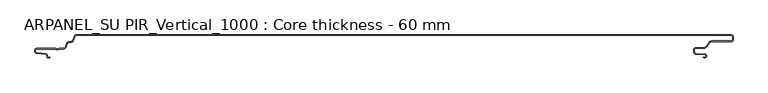
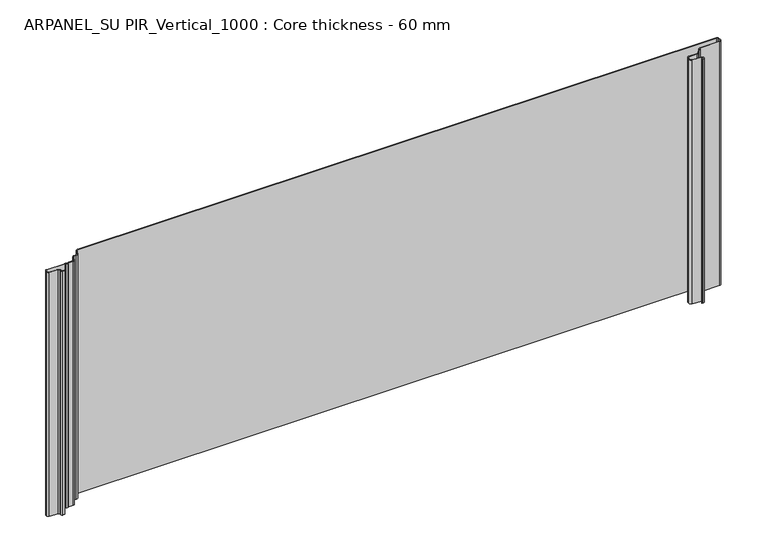
"""IFC4 building model written with IfcOpenShell, lengths in millimetres: plate geometry, ARPANEL_SU PIR_Vertical_1000 : Core thickness - 60 mm."""

from ifc_helpers import new_model, si_unit, frame, origin, place, context, project, spatial, polyline, circle_curve, source, transform, mapped, element, save
from ifc_brep_helpers import plane_surface, cylinder_surface, revolved_surface, advanced_brep


def arpanel_su_pir_vertical_1000_core_thickness_60_mm_ad7bffe7(model_context):
    return source(origin(), model_context, "Body", "AdvancedBrep", [
        advanced_brep(
        [(-437.2982256, -0.8211477, 0.0), (-439.9575557, -2.6832307, 0.0), (-442.1915349, -8.821038, 0.0), (-445.816528, -11.3209755, 0.0), (-448.7504365, -11.3209755, 0.0), (-451.4097077, -13.1828966, 0.0), (-453.7017228, -19.4789642, 0.0), (-456.3328038, -21.3211477, 0.0), (-463.3550282, -21.3211477, 0.0), (-464.4794725, -21.7461477, 0.0), (-467.5220865, -21.7461477, 0.0), (-468.6465308, -21.3211477, 0.0), (-497.37, -21.3211477, 0.0), (-499.2, -23.1511477, 0.0), (-499.2, -25.314536, 0.0), (-497.529495, -27.1375723, 0.0), (-483.7559639, -28.3426003, 0.0), (-481.2, -31.1319454, 0.0), (-481.2, -32.5211477, 0.0), (-480.0, -33.7211477, 0.0), (-477.5, -33.7211477, 0.0), (-477.5, -34.5211477, 0.0), (-480.0, -34.5211477, 0.0), (-482.0, -32.5211477, 0.0), (-482.0, -31.1319454, 0.0), (-483.8256885, -29.1395561, 0.0), (-497.5992196, -27.934528, 0.0), (-500.0, -25.314536, 0.0), (-500.0, -23.1511477, 0.0), (-497.37, -20.5211477, 0.0), (-468.6465308, -20.5211477, 0.0), (-466.9929362, -21.1461477, 0.0), (-465.0086228, -21.1461477, 0.0), (-463.3550282, -20.5211477, 0.0), (-456.3328038, -20.5211477, 0.0), (-454.4534602, -19.2053023, 0.0), (-452.1614451, -12.9092348, 0.0), (-448.7504365, -10.5209755, 0.0), (-445.81049, -10.5209755, 0.0), (-442.943289, -8.5474219, 0.0), (-440.7093098, -2.4096146, 0.0), (-437.2982256, -0.0211477, 0.0), (553.4126931, -0.0003051, 0.0), (556.0026359, -2.63, 0.0), (556.0026359, -7.37, 0.0), (553.3726359, -10.0, 0.0), (523.6221792, -10.0, 0.0), (520.345571, -11.7056943, 0.0), (515.9202842, -18.0256589, 0.0), (512.1276102, -20.0, 0.0), (500.0045679, -20.0, 0.0), (497.0045679, -23.0, 0.0), (497.0045679, -25.1843055, 0.0), (499.7431007, -28.1728896, 0.0), (513.601305, -29.3853254, 0.0), (513.8114817, -34.1991613, 0.0), (511.3494623, -34.6332818, 0.0), (511.2105437, -33.8454356, 0.0), (513.6725631, -33.4113151, 0.0), (513.5315804, -30.1822811, 0.0), (499.6733761, -28.9698453, 0.0), (496.2045679, -25.1843055, 0.0), (496.2045679, -23.0, 0.0), (500.0045679, -19.2, 0.0), (512.1276102, -19.2, 0.0), (515.2649625, -17.5667978, 0.0), (519.6902494, -11.2468331, 0.0), (523.6221792, -9.2, 0.0), (553.3726359, -9.2, 0.0), (555.2026359, -7.37, 0.0), (555.2026359, -2.63, 0.0), (553.37227, -0.8, 0.0), (-437.2982256, -0.8, 400.0), (553.37227, -0.8, 400.0), (555.2026359, -2.63, 400.0), (555.2026359, -7.37, 400.0), (553.3726359, -9.2, 400.0), (523.6221792, -9.2, 400.0), (519.6902494, -11.2468331, 400.0), (515.2649625, -17.5667978, 400.0), (512.1276102, -19.2, 400.0), (500.0045679, -19.2, 400.0), (496.2045679, -23.0, 400.0), (496.2045679, -25.1843055, 400.0), (499.6733761, -28.9698453, 400.0), (513.5315804, -30.1822811, 400.0), (513.6725631, -33.4113151, 400.0), (511.2105437, -33.8454356, 400.0), (511.3494623, -34.6332818, 400.0), (513.8114817, -34.1991613, 400.0), (513.601305, -29.3853254, 400.0), (499.7431007, -28.1728896, 400.0), (497.0045679, -25.1843055, 400.0), (497.0045679, -23.0, 400.0), (500.0045679, -20.0, 400.0), (512.1276102, -20.0, 400.0), (515.9202842, -18.0256589, 400.0), (520.345571, -11.7056943, 400.0), (523.6221792, -10.0, 400.0), (553.3726359, -10.0, 400.0), (556.0026359, -7.37, 400.0), (556.0026359, -2.63, 400.0), (553.4126931, -0.0003051, 400.0), (-437.2982256, -0.0003051, 400.0), (-440.7093098, -2.4096146, 400.0), (-442.943289, -8.5474219, 400.0), (-445.81049, -10.5209755, 400.0), (-448.7504365, -10.5209755, 400.0), (-452.1614451, -12.9092348, 400.0), (-454.4534602, -19.2053023, 400.0), (-456.3328038, -20.5211477, 400.0), (-463.3550282, -20.5211477, 400.0), (-465.0086228, -21.1461477, 400.0), (-466.9929362, -21.1461477, 400.0), (-468.6465308, -20.5211477, 400.0), (-497.37, -20.5211477, 400.0), (-500.0, -23.1511477, 400.0), (-500.0, -25.314536, 400.0), (-497.5992196, -27.934528, 400.0), (-483.8256885, -29.1395561, 400.0), (-482.0, -31.1319454, 400.0), (-482.0, -32.5211477, 400.0), (-480.0, -34.5211477, 400.0), (-477.5, -34.5211477, 400.0), (-477.5, -33.7211477, 400.0), (-480.0, -33.7211477, 400.0), (-481.2, -32.5211477, 400.0), (-481.2, -31.1319454, 400.0), (-483.7559639, -28.3426003, 400.0), (-497.529495, -27.1375723, 400.0), (-499.2, -25.314536, 400.0), (-499.2, -23.1511477, 400.0), (-497.37, -21.3211477, 400.0), (-468.6465308, -21.3211477, 400.0), (-467.5220865, -21.7461477, 400.0), (-464.4794725, -21.7461477, 400.0), (-463.3550282, -21.3211477, 400.0), (-456.3328038, -21.3211477, 400.0), (-453.7017228, -19.4789642, 400.0), (-451.4097077, -13.1828966, 400.0), (-448.7504365, -11.3209755, 400.0), (-445.816528, -11.3209755, 400.0), (-442.1915349, -8.821038, 400.0), (-439.9575557, -2.6832307, 400.0)],
        [
            (0, 1, circle_curve(frame((-437.2982256, -3.6511477, 0.0), z_axis=(0.0, 0.0, 1.0), x_axis=(1.0, 0.0, 0.0)), 2.83)),
            (1, 2),
            (2, 3, circle_curve(frame((-445.7623669, -7.5213615, 0.0), z_axis=(0.0, 0.0, -1.0), x_axis=(1.0, 0.0, 0.0)), 3.8)),
            (3, 4),
            (4, 5, circle_curve(frame((-448.7504365, -14.1509755, 0.0), z_axis=(0.0, 0.0, 1.0), x_axis=(1.0, 0.0, 0.0)), 2.83)),
            (5, 6),
            (6, 7, circle_curve(frame((-456.3328038, -18.5211477, 0.0), z_axis=(0.0, 0.0, -1.0), x_axis=(1.0, 0.0, 0.0)), 2.8)),
            (7, 8),
            (8, 9, circle_curve(frame((-463.3550282, -23.0211477, 0.0), z_axis=(0.0, 0.0, 1.0), x_axis=(1.0, 0.0, 0.0)), 1.7)),
            (9, 10, circle_curve(frame((-466.0007795, -20.0211477, 0.0), z_axis=(0.0, 0.0, -1.0), x_axis=(1.0, 0.0, 0.0)), 2.3)),
            (10, 11, circle_curve(frame((-468.6465308, -23.0211477, 0.0), z_axis=(0.0, 0.0, 1.0), x_axis=(1.0, 0.0, 0.0)), 1.7)),
            (11, 12),
            (12, 13, circle_curve(frame((-497.37, -23.1511477, 0.0), z_axis=(0.0, 0.0, 1.0), x_axis=(1.0, 0.0, 0.0)), 1.83)),
            (13, 14),
            (14, 15, circle_curve(frame((-497.37, -25.314536, 0.0), z_axis=(0.0, 0.0, 1.0), x_axis=(1.0, 0.0, 0.0)), 1.83)),
            (15, 16),
            (16, 17, circle_curve(frame((-484.0, -31.1319454, 0.0), z_axis=(0.0, 0.0, -1.0), x_axis=(1.0, 0.0, 0.0)), 2.8)),
            (17, 18),
            (18, 19, circle_curve(frame((-480.0, -32.5211477, 0.0), z_axis=(0.0, 0.0, 1.0), x_axis=(1.0, 0.0, 0.0)), 1.2)),
            (19, 20),
            (20, 21),
            (21, 22),
            (22, 23, circle_curve(frame((-480.0, -32.5211477, 0.0), z_axis=(0.0, 0.0, -1.0), x_axis=(1.0, 0.0, 0.0)), 2.0)),
            (23, 24),
            (24, 25, circle_curve(frame((-484.0, -31.1319454, 0.0), z_axis=(0.0, 0.0, 1.0), x_axis=(1.0, 0.0, 0.0)), 2.0)),
            (25, 26),
            (26, 27, circle_curve(frame((-497.37, -25.314536, 0.0), z_axis=(0.0, 0.0, -1.0), x_axis=(1.0, 0.0, 0.0)), 2.63)),
            (27, 28),
            (28, 29, circle_curve(frame((-497.37, -23.1511477, 0.0), z_axis=(0.0, 0.0, -1.0), x_axis=(1.0, 0.0, 0.0)), 2.63)),
            (29, 30),
            (30, 31, circle_curve(frame((-468.6465308, -23.0211477, 0.0), z_axis=(0.0, 0.0, -1.0), x_axis=(1.0, 0.0, 0.0)), 2.5)),
            (31, 32, circle_curve(frame((-466.0007795, -20.0211477, 0.0), z_axis=(0.0, 0.0, 1.0), x_axis=(1.0, 0.0, 0.0)), 1.5)),
            (32, 33, circle_curve(frame((-463.3550282, -23.0211477, 0.0), z_axis=(0.0, 0.0, -1.0), x_axis=(1.0, 0.0, 0.0)), 2.5)),
            (33, 34),
            (34, 35, circle_curve(frame((-456.3328038, -18.5211477, 0.0), z_axis=(0.0, 0.0, 1.0), x_axis=(1.0, 0.0, 0.0)), 2.0)),
            (35, 36),
            (36, 37, circle_curve(frame((-448.7504365, -14.1509755, 0.0), z_axis=(0.0, 0.0, -1.0), x_axis=(1.0, 0.0, 0.0)), 3.63)),
            (37, 38),
            (38, 39, circle_curve(frame((-445.7623669, -7.5213615, 0.0), z_axis=(0.0, 0.0, 1.0), x_axis=(1.0, 0.0, 0.0)), 3.0)),
            (39, 40),
            (40, 41, circle_curve(frame((-437.2982256, -3.6511477, 0.0), z_axis=(0.0, 0.0, -1.0), x_axis=(1.0, 0.0, 0.0)), 3.63)),
            (41, 42),
            (42, 43, circle_curve(frame((553.3726359, -2.63, 0.0), z_axis=(0.0, 0.0, -1.0), x_axis=(1.0, 0.0, 0.0)), 2.63)),
            (43, 44),
            (44, 45, circle_curve(frame((553.3726359, -7.37, 0.0), z_axis=(0.0, 0.0, -1.0), x_axis=(1.0, 0.0, 0.0)), 2.63)),
            (45, 46),
            (46, 47, circle_curve(frame((523.6221792, -14.0, 0.0), z_axis=(0.0, 0.0, 1.0), x_axis=(1.0, 0.0, 0.0)), 4.0)),
            (47, 48),
            (48, 49, circle_curve(frame((512.1276102, -15.37, 0.0), z_axis=(0.0, 0.0, -1.0), x_axis=(1.0, 0.0, 0.0)), 4.63)),
            (49, 50),
            (50, 51, circle_curve(frame((500.0045679, -23.0, 0.0), z_axis=(0.0, 0.0, 1.0), x_axis=(1.0, 0.0, 0.0)), 3.0)),
            (51, 52),
            (52, 53, circle_curve(frame((500.0045679, -25.1843055, 0.0), z_axis=(0.0, 0.0, 1.0), x_axis=(1.0, 0.0, 0.0)), 3.0)),
            (53, 54),
            (54, 55, circle_curve(frame((513.3895166, -31.8060785, 0.0), z_axis=(0.0, 0.0, -1.0), x_axis=(1.0, 0.0, 0.0)), 2.43)),
            (55, 56),
            (56, 57),
            (57, 58),
            (58, 59, circle_curve(frame((513.3895166, -31.8060785, 0.0), z_axis=(0.0, 0.0, 1.0), x_axis=(1.0, 0.0, 0.0)), 1.63)),
            (59, 60),
            (60, 61, circle_curve(frame((500.0045679, -25.1843055, 0.0), z_axis=(0.0, 0.0, -1.0), x_axis=(1.0, 0.0, 0.0)), 3.8)),
            (61, 62),
            (62, 63, circle_curve(frame((500.0045679, -23.0, 0.0), z_axis=(0.0, 0.0, -1.0), x_axis=(1.0, 0.0, 0.0)), 3.8)),
            (63, 64),
            (64, 65, circle_curve(frame((512.1276102, -15.37, 0.0), z_axis=(0.0, 0.0, 1.0), x_axis=(1.0, 0.0, 0.0)), 3.83)),
            (65, 66),
            (66, 67, circle_curve(frame((523.6221792, -14.0, 0.0), z_axis=(0.0, 0.0, -1.0), x_axis=(1.0, 0.0, 0.0)), 4.8)),
            (67, 68),
            (68, 69, circle_curve(frame((553.3726359, -7.37, 0.0), z_axis=(0.0, 0.0, 1.0), x_axis=(1.0, 0.0, 0.0)), 1.83)),
            (69, 70),
            (70, 71, circle_curve(frame((553.3726359, -2.63, 0.0), z_axis=(0.0, 0.0, 1.0), x_axis=(1.0, 0.0, 0.0)), 1.83)),
            (71, 0),
            (72, 73),
            (73, 74, circle_curve(frame((553.3726359, -2.63, 400.0), z_axis=(0.0, 0.0, -1.0), x_axis=(1.0, 0.0, 0.0)), 1.83)),
            (74, 75),
            (75, 76, circle_curve(frame((553.3726359, -7.37, 400.0), z_axis=(0.0, 0.0, -1.0), x_axis=(1.0, 0.0, 0.0)), 1.83)),
            (76, 77),
            (77, 78, circle_curve(frame((523.6221792, -14.0, 400.0), z_axis=(0.0, 0.0, 1.0), x_axis=(1.0, 0.0, 0.0)), 4.8)),
            (78, 79),
            (79, 80, circle_curve(frame((512.1276102, -15.37, 400.0), z_axis=(0.0, 0.0, -1.0), x_axis=(1.0, 0.0, 0.0)), 3.83)),
            (80, 81),
            (81, 82, circle_curve(frame((500.0045679, -23.0, 400.0), z_axis=(0.0, 0.0, 1.0), x_axis=(1.0, 0.0, 0.0)), 3.8)),
            (82, 83),
            (83, 84, circle_curve(frame((500.0045679, -25.1843055, 400.0), z_axis=(0.0, 0.0, 1.0), x_axis=(1.0, 0.0, 0.0)), 3.8)),
            (84, 85),
            (85, 86, circle_curve(frame((513.3895166, -31.8060785, 400.0), z_axis=(0.0, 0.0, -1.0), x_axis=(1.0, 0.0, 0.0)), 1.63)),
            (86, 87),
            (87, 88),
            (88, 89),
            (89, 90, circle_curve(frame((513.3895166, -31.8060785, 400.0), z_axis=(0.0, 0.0, 1.0), x_axis=(1.0, 0.0, 0.0)), 2.43)),
            (90, 91),
            (91, 92, circle_curve(frame((500.0045679, -25.1843055, 400.0), z_axis=(0.0, 0.0, -1.0), x_axis=(1.0, 0.0, 0.0)), 3.0)),
            (92, 93),
            (93, 94, circle_curve(frame((500.0045679, -23.0, 400.0), z_axis=(0.0, 0.0, -1.0), x_axis=(1.0, 0.0, 0.0)), 3.0)),
            (94, 95),
            (95, 96, circle_curve(frame((512.1276102, -15.37, 400.0), z_axis=(0.0, 0.0, 1.0), x_axis=(1.0, 0.0, 0.0)), 4.63)),
            (96, 97),
            (97, 98, circle_curve(frame((523.6221792, -14.0, 400.0), z_axis=(0.0, 0.0, -1.0), x_axis=(1.0, 0.0, 0.0)), 4.0)),
            (98, 99),
            (99, 100, circle_curve(frame((553.3726359, -7.37, 400.0), z_axis=(0.0, 0.0, 1.0), x_axis=(1.0, 0.0, 0.0)), 2.63)),
            (100, 101),
            (101, 102, circle_curve(frame((553.3726359, -2.63, 400.0), z_axis=(0.0, 0.0, 1.0), x_axis=(1.0, 0.0, 0.0)), 2.63)),
            (102, 103),
            (103, 104, circle_curve(frame((-437.2982256, -3.6511477, 400.0), z_axis=(0.0, 0.0, 1.0), x_axis=(1.0, 0.0, 0.0)), 3.63)),
            (104, 105),
            (105, 106, circle_curve(frame((-445.7623669, -7.5213615, 400.0), z_axis=(0.0, 0.0, -1.0), x_axis=(1.0, 0.0, 0.0)), 3.0)),
            (106, 107),
            (107, 108, circle_curve(frame((-448.7504365, -14.1509755, 400.0), z_axis=(0.0, 0.0, 1.0), x_axis=(1.0, 0.0, 0.0)), 3.63)),
            (108, 109),
            (109, 110, circle_curve(frame((-456.3328038, -18.5211477, 400.0), z_axis=(0.0, 0.0, -1.0), x_axis=(1.0, 0.0, 0.0)), 2.0)),
            (110, 111),
            (111, 112, circle_curve(frame((-463.3550282, -23.0211477, 400.0), z_axis=(0.0, 0.0, 1.0), x_axis=(1.0, 0.0, 0.0)), 2.5)),
            (112, 113, circle_curve(frame((-466.0007795, -20.0211477, 400.0), z_axis=(0.0, 0.0, -1.0), x_axis=(1.0, 0.0, 0.0)), 1.5)),
            (113, 114, circle_curve(frame((-468.6465308, -23.0211477, 400.0), z_axis=(0.0, 0.0, 1.0), x_axis=(1.0, 0.0, 0.0)), 2.5)),
            (114, 115),
            (115, 116, circle_curve(frame((-497.37, -23.1511477, 400.0), z_axis=(0.0, 0.0, 1.0), x_axis=(1.0, 0.0, 0.0)), 2.63)),
            (116, 117),
            (117, 118, circle_curve(frame((-497.37, -25.314536, 400.0), z_axis=(0.0, 0.0, 1.0), x_axis=(1.0, 0.0, 0.0)), 2.63)),
            (118, 119),
            (119, 120, circle_curve(frame((-484.0, -31.1319454, 400.0), z_axis=(0.0, 0.0, -1.0), x_axis=(1.0, 0.0, 0.0)), 2.0)),
            (120, 121),
            (121, 122, circle_curve(frame((-480.0, -32.5211477, 400.0), z_axis=(0.0, 0.0, 1.0), x_axis=(1.0, 0.0, 0.0)), 2.0)),
            (122, 123),
            (123, 124),
            (124, 125),
            (125, 126, circle_curve(frame((-480.0, -32.5211477, 400.0), z_axis=(0.0, 0.0, -1.0), x_axis=(1.0, 0.0, 0.0)), 1.2)),
            (126, 127),
            (127, 128, circle_curve(frame((-484.0, -31.1319454, 400.0), z_axis=(0.0, 0.0, 1.0), x_axis=(1.0, 0.0, 0.0)), 2.8)),
            (128, 129),
            (129, 130, circle_curve(frame((-497.37, -25.314536, 400.0), z_axis=(0.0, 0.0, -1.0), x_axis=(1.0, 0.0, 0.0)), 1.83)),
            (130, 131),
            (131, 132, circle_curve(frame((-497.37, -23.1511477, 400.0), z_axis=(0.0, 0.0, -1.0), x_axis=(1.0, 0.0, 0.0)), 1.83)),
            (132, 133),
            (133, 134, circle_curve(frame((-468.6465308, -23.0211477, 400.0), z_axis=(0.0, 0.0, -1.0), x_axis=(1.0, 0.0, 0.0)), 1.7)),
            (134, 135, circle_curve(frame((-466.0007795, -20.0211477, 400.0), z_axis=(0.0, 0.0, 1.0), x_axis=(1.0, 0.0, 0.0)), 2.3)),
            (135, 136, circle_curve(frame((-463.3550282, -23.0211477, 400.0), z_axis=(0.0, 0.0, -1.0), x_axis=(1.0, 0.0, 0.0)), 1.7)),
            (136, 137),
            (137, 138, circle_curve(frame((-456.3328038, -18.5211477, 400.0), z_axis=(0.0, 0.0, 1.0), x_axis=(1.0, 0.0, 0.0)), 2.8)),
            (138, 139),
            (139, 140, circle_curve(frame((-448.7504365, -14.1509755, 400.0), z_axis=(0.0, 0.0, -1.0), x_axis=(1.0, 0.0, 0.0)), 2.83)),
            (140, 141),
            (141, 142, circle_curve(frame((-445.7623669, -7.5213615, 400.0), z_axis=(0.0, 0.0, 1.0), x_axis=(1.0, 0.0, 0.0)), 3.8)),
            (142, 143),
            (143, 72, circle_curve(frame((-437.2982256, -3.6511477, 400.0), z_axis=(0.0, 0.0, -1.0), x_axis=(1.0, 0.0, 0.0)), 2.83)),
            (71, 73),
            (72, 0),
            (41, 103),
            (102, 42),
            (143, 1),
            (142, 2),
            (141, 3),
            (140, 4),
            (139, 5),
            (138, 6),
            (137, 7),
            (136, 8),
            (135, 9),
            (134, 10),
            (133, 11),
            (132, 12),
            (131, 13),
            (130, 14),
            (129, 15),
            (128, 16),
            (127, 17),
            (126, 18),
            (125, 19),
            (124, 20),
            (123, 21),
            (122, 22),
            (121, 23),
            (120, 24),
            (119, 25),
            (118, 26),
            (117, 27),
            (116, 28),
            (115, 29),
            (114, 30),
            (113, 31),
            (112, 32),
            (111, 33),
            (110, 34),
            (109, 35),
            (108, 36),
            (107, 37),
            (106, 38),
            (105, 39),
            (104, 40),
            (101, 43),
            (100, 44),
            (99, 45),
            (98, 46),
            (97, 47),
            (96, 48),
            (95, 49),
            (94, 50),
            (93, 51),
            (92, 52),
            (91, 53),
            (90, 54),
            (89, 55),
            (88, 56),
            (87, 57),
            (86, 58),
            (85, 59),
            (84, 60),
            (83, 61),
            (82, 62),
            (81, 63),
            (80, 64),
            (79, 65),
            (78, 66),
            (77, 67),
            (76, 68),
            (75, 69),
            (74, 70),
        ],
        [
            plane_surface(frame((-500.0, 0.0, 0.0), z_axis=(0.0, 0.0, -1.0), x_axis=(0.0, -1.0, 0.0))),
            plane_surface(frame((-500.0, 0.0, 400.0), z_axis=(0.0, 0.0, 1.0), x_axis=(0.0, -1.0, 0.0))),
            plane_surface(frame((553.37227, -0.8, 0.0), z_axis=(0.0, -1.0, 0.0), x_axis=(0.0, 0.0, 1.0))),
            plane_surface(frame((-437.2982256, -0.0003051, 0.0), z_axis=(0.0, 1.0, 0.0), x_axis=(0.0, 0.0, 1.0))),
            revolved_surface(polyline([(-434.46822560000004, -3.6511477, 400.0), (-434.46822560000004, -3.6511477, 0.0)]), (-437.2982256, -3.6511477, 0.0), (0.0, 0.0, 1.0)),
            plane_surface(frame((-439.9575557, -2.6832307, 0.0), z_axis=(0.9396926207859131, -0.342020143325656, 0.0), x_axis=(0.0, 0.0, 1.0))),
            cylinder_surface(frame((-445.7623669, -7.5213615, 0.0), z_axis=(0.0, 0.0, -1.0), x_axis=(1.0, 0.0, 0.0)), 3.8),
            plane_surface(frame((-445.816528, -11.3209755, 0.0), z_axis=(0.0, -1.0, 0.0), x_axis=(0.0, 0.0, 1.0))),
            revolved_surface(polyline([(-445.9204365, -14.1509755, 400.0), (-445.9204365, -14.1509755, 0.0)]), (-448.7504365, -14.1509755, 0.0), (0.0, 0.0, 1.0)),
            plane_surface(frame((-451.4097077, -13.1828966, 0.0), z_axis=(0.939671805717074, -0.34207732684352776, 0.0), x_axis=(0.0, 0.0, 1.0))),
            cylinder_surface(frame((-456.3328038, -18.5211477, 0.0), z_axis=(0.0, 0.0, -1.0), x_axis=(1.0, 0.0, 0.0)), 2.8),
            plane_surface(frame((-456.3328038, -21.3211477, 0.0), z_axis=(0.0, -1.0, 0.0), x_axis=(0.0, 0.0, 1.0))),
            revolved_surface(polyline([(-461.6550282, -23.0211477, 400.0), (-461.6550282, -23.0211477, 0.0)]), (-463.3550282, -23.0211477, 0.0), (0.0, 0.0, 1.0)),
            cylinder_surface(frame((-466.0007795, -20.0211477, 0.0), z_axis=(0.0, 0.0, -1.0), x_axis=(1.0, 0.0, 0.0)), 2.3),
            revolved_surface(polyline([(-466.9465308, -23.0211477, 400.0), (-466.9465308, -23.0211477, 0.0)]), (-468.6465308, -23.0211477, 0.0), (0.0, 0.0, 1.0)),
            plane_surface(frame((-468.6465308, -21.3211477, 0.0), z_axis=(0.0, -1.0, 0.0), x_axis=(0.0, 0.0, 1.0))),
            revolved_surface(polyline([(-495.54, -23.1511477, 400.0), (-495.54, -23.1511477, 0.0)]), (-497.37, -23.1511477, 0.0), (0.0, 0.0, 1.0)),
            plane_surface(frame((-499.2, -23.1511477, 0.0), z_axis=(1.0, 0.0, 0.0), x_axis=(0.0, 0.0, 1.0))),
            revolved_surface(polyline([(-495.54, -25.314536, 400.0), (-495.54, -25.314536, 0.0)]), (-497.37, -25.314536, 0.0), (0.0, 0.0, 1.0)),
            plane_surface(frame((-497.529495, -27.1375723, 0.0), z_axis=(0.08715575752289452, 0.9961946967990798, 0.0), x_axis=(0.0, 0.0, 1.0))),
            cylinder_surface(frame((-484.0, -31.1319454, 0.0), z_axis=(0.0, 0.0, -1.0), x_axis=(1.0, 0.0, 0.0)), 2.8),
            plane_surface(frame((-481.2, -31.1319454, 0.0), z_axis=(1.0, 0.0, 0.0), x_axis=(0.0, 0.0, 1.0))),
            revolved_surface(polyline([(-478.8, -32.5211477, 400.0), (-478.8, -32.5211477, 0.0)]), (-480.0, -32.5211477, 0.0), (0.0, 0.0, 1.0)),
            plane_surface(frame((-480.0, -33.7211477, 0.0), z_axis=(0.0, 1.0, 0.0), x_axis=(0.0, 0.0, 1.0))),
            plane_surface(frame((-477.5, -33.7211477, 0.0), z_axis=(1.0, 0.0, 0.0), x_axis=(0.0, 0.0, 1.0))),
            plane_surface(frame((-477.5, -34.5211477, 0.0), z_axis=(0.0, -1.0, 0.0), x_axis=(0.0, 0.0, 1.0))),
            cylinder_surface(frame((-480.0, -32.5211477, 0.0), z_axis=(0.0, 0.0, -1.0), x_axis=(1.0, 0.0, 0.0)), 2.0),
            plane_surface(frame((-482.0, -32.5211477, 0.0), z_axis=(-1.0, 0.0, 0.0), x_axis=(0.0, 0.0, 1.0))),
            revolved_surface(polyline([(-482.0, -31.1319454, 400.0), (-482.0, -31.1319454, 0.0)]), (-484.0, -31.1319454, 0.0), (0.0, 0.0, 1.0)),
            plane_surface(frame((-483.8256885, -29.1395561, 0.0), z_axis=(-0.08715575752289462, -0.9961946967990798, 0.0), x_axis=(0.0, 0.0, 1.0))),
            cylinder_surface(frame((-497.37, -25.314536, 0.0), z_axis=(0.0, 0.0, -1.0), x_axis=(1.0, 0.0, 0.0)), 2.63),
            plane_surface(frame((-500.0, -25.314536, 0.0), z_axis=(-1.0, 0.0, 0.0), x_axis=(0.0, 0.0, 1.0))),
            cylinder_surface(frame((-497.37, -23.1511477, 0.0), z_axis=(0.0, 0.0, -1.0), x_axis=(1.0, 0.0, 0.0)), 2.63),
            plane_surface(frame((-497.37, -20.5211477, 0.0), z_axis=(0.0, 1.0, 0.0), x_axis=(0.0, 0.0, 1.0))),
            cylinder_surface(frame((-468.6465308, -23.0211477, 0.0), z_axis=(0.0, 0.0, -1.0), x_axis=(1.0, 0.0, 0.0)), 2.5),
            revolved_surface(polyline([(-464.5007795, -20.0211477, 400.0), (-464.5007795, -20.0211477, 0.0)]), (-466.0007795, -20.0211477, 0.0), (0.0, 0.0, 1.0)),
            cylinder_surface(frame((-463.3550282, -23.0211477, 0.0), z_axis=(0.0, 0.0, -1.0), x_axis=(1.0, 0.0, 0.0)), 2.5),
            plane_surface(frame((-463.3550282, -20.5211477, 0.0), z_axis=(0.0, 1.0, 0.0), x_axis=(0.0, 0.0, 1.0))),
            revolved_surface(polyline([(-454.3328038, -18.5211477, 400.0), (-454.3328038, -18.5211477, 0.0)]), (-456.3328038, -18.5211477, 0.0), (0.0, 0.0, 1.0)),
            plane_surface(frame((-454.4534602, -19.2053023, 0.0), z_axis=(-0.9396718057170741, 0.34207732684352754, 0.0), x_axis=(0.0, 0.0, 1.0))),
            cylinder_surface(frame((-448.7504365, -14.1509755, 0.0), z_axis=(0.0, 0.0, -1.0), x_axis=(1.0, 0.0, 0.0)), 3.63),
            plane_surface(frame((-448.7504365, -10.5209755, 0.0), z_axis=(0.0, 1.0, 0.0), x_axis=(0.0, 0.0, 1.0))),
            revolved_surface(polyline([(-442.7623669, -7.5213615, 400.0), (-442.7623669, -7.5213615, 0.0)]), (-445.7623669, -7.5213615, 0.0), (0.0, 0.0, 1.0)),
            plane_surface(frame((-442.943289, -8.5474219, 0.0), z_axis=(-0.9396926207859132, 0.3420201433256557, 0.0), x_axis=(0.0, 0.0, 1.0))),
            cylinder_surface(frame((-437.2982256, -3.6511477, 0.0), z_axis=(0.0, 0.0, -1.0), x_axis=(1.0, 0.0, 0.0)), 3.63),
            cylinder_surface(frame((553.3726359, -2.63, 0.0), z_axis=(0.0, 0.0, -1.0), x_axis=(1.0, 0.0, 0.0)), 2.63),
            plane_surface(frame((556.0026359, -2.63, 0.0), z_axis=(1.0, 0.0, 0.0), x_axis=(0.0, 0.0, 1.0))),
            cylinder_surface(frame((553.3726359, -7.37, 0.0), z_axis=(0.0, 0.0, -1.0), x_axis=(1.0, 0.0, 0.0)), 2.63),
            plane_surface(frame((553.3726359, -10.0, 0.0), z_axis=(0.0, -1.0, 0.0), x_axis=(0.0, 0.0, 1.0))),
            revolved_surface(polyline([(527.6221792, -14.0, 400.0), (527.6221792, -14.0, 0.0)]), (523.6221792, -14.0, 0.0), (0.0, 0.0, 1.0)),
            plane_surface(frame((520.345571, -11.7056943, 0.0), z_axis=(0.8191520442889693, -0.5735764363510785, 0.0), x_axis=(0.0, 0.0, 1.0))),
            cylinder_surface(frame((512.1276102, -15.37, 0.0), z_axis=(0.0, 0.0, -1.0), x_axis=(1.0, 0.0, 0.0)), 4.63),
            plane_surface(frame((512.1276102, -20.0, 0.0), z_axis=(0.0, -1.0, 0.0), x_axis=(0.0, 0.0, 1.0))),
            revolved_surface(polyline([(503.0045679, -23.0, 400.0), (503.0045679, -23.0, 0.0)]), (500.0045679, -23.0, 0.0), (0.0, 0.0, 1.0)),
            plane_surface(frame((497.0045679, -23.0, 0.0), z_axis=(1.0, 0.0, 0.0), x_axis=(0.0, 0.0, 1.0))),
            revolved_surface(polyline([(503.0045679, -25.1843055, 400.0), (503.0045679, -25.1843055, 0.0)]), (500.0045679, -25.1843055, 0.0), (0.0, 0.0, 1.0)),
            plane_surface(frame((499.7431007, -28.1728896, 0.0), z_axis=(0.08715574274740519, 0.9961946980917677, 0.0), x_axis=(0.0, 0.0, 1.0))),
            cylinder_surface(frame((513.3895166, -31.8060785, 0.0), z_axis=(0.0, 0.0, -1.0), x_axis=(1.0, 0.0, 0.0)), 2.43),
            plane_surface(frame((513.8114817, -34.1991613, 0.0), z_axis=(0.1736481776668562, -0.9848077530122211, 0.0), x_axis=(0.0, 0.0, 1.0))),
            plane_surface(frame((511.3494623, -34.6332818, 0.0), z_axis=(-0.9848077530122245, -0.1736481776668378, 0.0), x_axis=(0.0, 0.0, 1.0))),
            plane_surface(frame((511.2105437, -33.8454356, 0.0), z_axis=(-0.17364817766685758, 0.9848077530122209, 0.0), x_axis=(0.0, 0.0, 1.0))),
            revolved_surface(polyline([(515.0195166, -31.8060785, 400.0), (515.0195166, -31.8060785, 0.0)]), (513.3895166, -31.8060785, 0.0), (0.0, 0.0, 1.0)),
            plane_surface(frame((513.5315804, -30.1822811, 0.0), z_axis=(-0.08715574274740512, -0.9961946980917677, 0.0), x_axis=(0.0, 0.0, 1.0))),
            cylinder_surface(frame((500.0045679, -25.1843055, 0.0), z_axis=(0.0, 0.0, -1.0), x_axis=(1.0, 0.0, 0.0)), 3.8),
            plane_surface(frame((496.2045679, -25.1843055, 0.0), z_axis=(-1.0, 0.0, 0.0), x_axis=(0.0, 0.0, 1.0))),
            cylinder_surface(frame((500.0045679, -23.0, 0.0), z_axis=(0.0, 0.0, -1.0), x_axis=(1.0, 0.0, 0.0)), 3.8),
            plane_surface(frame((500.0045679, -19.2, 0.0), z_axis=(0.0, 1.0, 0.0), x_axis=(0.0, 0.0, 1.0))),
            revolved_surface(polyline([(515.9576102000001, -15.37, 400.0), (515.9576102000001, -15.37, 0.0)]), (512.1276102, -15.37, 0.0), (0.0, 0.0, 1.0)),
            plane_surface(frame((515.2649625, -17.5667978, 0.0), z_axis=(-0.8191520442889665, 0.5735764363510824, 0.0), x_axis=(0.0, 0.0, 1.0))),
            cylinder_surface(frame((523.6221792, -14.0, 0.0), z_axis=(0.0, 0.0, -1.0), x_axis=(1.0, 0.0, 0.0)), 4.8),
            plane_surface(frame((523.6221792, -9.2, 0.0), z_axis=(0.0, 1.0, 0.0), x_axis=(0.0, 0.0, 1.0))),
            revolved_surface(polyline([(555.2026359, -7.37, 400.0), (555.2026359, -7.37, 0.0)]), (553.3726359, -7.37, 0.0), (0.0, 0.0, 1.0)),
            plane_surface(frame((555.2026359, -7.37, 0.0), z_axis=(-1.0, 0.0, 0.0), x_axis=(0.0, 0.0, 1.0))),
            revolved_surface(polyline([(555.2026359, -2.63, 400.0), (555.2026359, -2.63, 0.0)]), (553.3726359, -2.63, 0.0), (0.0, 0.0, 1.0)),
        ],
        [
            (0, [[1, 2, 3, 4, 5, 6, 7, 8, 9, 10, 11, 12, 13, 14, 15, 16, 17, 18, 19, 20, 21, 22, 23, 24, 25, 26, 27, 28, 29, 30, 31, 32, 33, 34, 35, 36, 37, 38, 39, 40, 41, 42, 43, 44, 45, 46, 47, 48, 49, 50, 51, 52, 53, 54, 55, 56, 57, 58, 59, 60, 61, 62, 63, 64, 65, 66, 67, 68, 69, 70, 71, 72]]),
            (1, [[73, 74, 75, 76, 77, 78, 79, 80, 81, 82, 83, 84, 85, 86, 87, 88, 89, 90, 91, 92, 93, 94, 95, 96, 97, 98, 99, 100, 101, 102, 103, 104, 105, 106, 107, 108, 109, 110, 111, 112, 113, 114, 115, 116, 117, 118, 119, 120, 121, 122, 123, 124, 125, 126, 127, 128, 129, 130, 131, 132, 133, 134, 135, 136, 137, 138, 139, 140, 141, 142, 143, 144]]),
            (2, [[-72, 145, -73, 146]]),
            (3, [[-42, 147, -103, 148]]),
            (4, [[-1, -146, -144, 149]]),
            (5, [[-2, -149, -143, 150]]),
            (6, [[-3, -150, -142, 151]]),
            (7, [[-4, -151, -141, 152]]),
            (8, [[-5, -152, -140, 153]]),
            (9, [[-6, -153, -139, 154]]),
            (10, [[-7, -154, -138, 155]]),
            (11, [[-8, -155, -137, 156]]),
            (12, [[-9, -156, -136, 157]]),
            (13, [[-10, -157, -135, 158]]),
            (14, [[-11, -158, -134, 159]]),
            (15, [[-12, -159, -133, 160]]),
            (16, [[-13, -160, -132, 161]]),
            (17, [[-14, -161, -131, 162]]),
            (18, [[-15, -162, -130, 163]]),
            (19, [[-16, -163, -129, 164]]),
            (20, [[-17, -164, -128, 165]]),
            (21, [[-18, -165, -127, 166]]),
            (22, [[-19, -166, -126, 167]]),
            (23, [[-20, -167, -125, 168]]),
            (24, [[-21, -168, -124, 169]]),
            (25, [[-22, -169, -123, 170]]),
            (26, [[-23, -170, -122, 171]]),
            (27, [[-24, -171, -121, 172]]),
            (28, [[-25, -172, -120, 173]]),
            (29, [[-26, -173, -119, 174]]),
            (30, [[-27, -174, -118, 175]]),
            (31, [[-28, -175, -117, 176]]),
            (32, [[-29, -176, -116, 177]]),
            (33, [[-30, -177, -115, 178]]),
            (34, [[-31, -178, -114, 179]]),
            (35, [[-32, -179, -113, 180]]),
            (36, [[-33, -180, -112, 181]]),
            (37, [[-34, -181, -111, 182]]),
            (38, [[-35, -182, -110, 183]]),
            (39, [[-36, -183, -109, 184]]),
            (40, [[-37, -184, -108, 185]]),
            (41, [[-38, -185, -107, 186]]),
            (42, [[-39, -186, -106, 187]]),
            (43, [[-40, -187, -105, 188]]),
            (44, [[-41, -188, -104, -147]]),
            (45, [[-43, -148, -102, 189]]),
            (46, [[-44, -189, -101, 190]]),
            (47, [[-45, -190, -100, 191]]),
            (48, [[-46, -191, -99, 192]]),
            (49, [[-47, -192, -98, 193]]),
            (50, [[-48, -193, -97, 194]]),
            (51, [[-49, -194, -96, 195]]),
            (52, [[-50, -195, -95, 196]]),
            (53, [[-51, -196, -94, 197]]),
            (54, [[-52, -197, -93, 198]]),
            (55, [[-53, -198, -92, 199]]),
            (56, [[-54, -199, -91, 200]]),
            (57, [[-55, -200, -90, 201]]),
            (58, [[-56, -201, -89, 202]]),
            (59, [[-57, -202, -88, 203]]),
            (60, [[-58, -203, -87, 204]]),
            (61, [[-59, -204, -86, 205]]),
            (62, [[-60, -205, -85, 206]]),
            (63, [[-61, -206, -84, 207]]),
            (64, [[-62, -207, -83, 208]]),
            (65, [[-63, -208, -82, 209]]),
            (66, [[-64, -209, -81, 210]]),
            (67, [[-65, -210, -80, 211]]),
            (68, [[-66, -211, -79, 212]]),
            (69, [[-67, -212, -78, 213]]),
            (70, [[-68, -213, -77, 214]]),
            (71, [[-69, -214, -76, 215]]),
            (72, [[-70, -215, -75, 216]]),
            (73, [[-71, -216, -74, -145]]),
        ],
    ),
    ])


if __name__ == "__main__":
    model = new_model("IFC4")
    model_context = context("Model", 3, world=origin())
    ifc_project = project(units=[si_unit("LENGTHUNIT", "METRE", prefix="MILLI")], contexts=[model_context])
    site = spatial("IfcSite", under=ifc_project)
    building = spatial("IfcBuilding", under=site)
    placement = place(None, origin())
    arpanel_su_pir_vertical_1000_core_thickness_60_mm_shape = arpanel_su_pir_vertical_1000_core_thickness_60_mm_ad7bffe7(model_context)
    element("IfcPlate", 1, ObjectType="ARPANEL_SU PIR_Vertical_1000 : Core thickness - 60 mm", at=placement, inside=building, context=model_context, shape_type="MappedRepresentation", body=[
        mapped(arpanel_su_pir_vertical_1000_core_thickness_60_mm_shape, transform((0.0, 0.0, 0.0), x_axis=(1.0, 0.0, 0.0), y_axis=(0.0, 1.0, 0.0), z_axis=(0.0, 0.0, 1.0))),
    ])
    save(model, "model.ifc")
